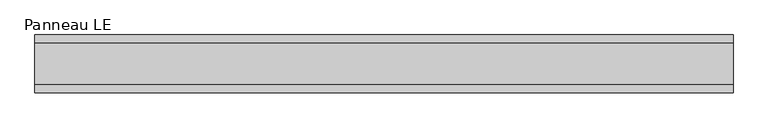
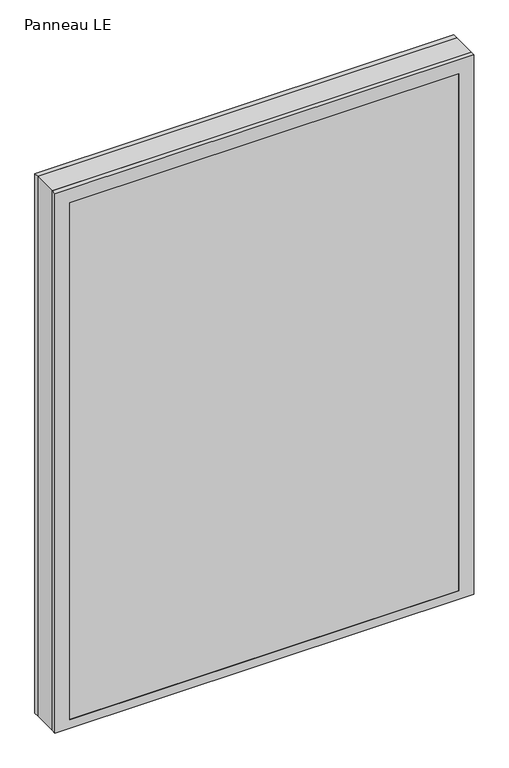
"""IFC4 building model written with IfcOpenShell, lengths in millimetres: plate geometry, Panneau LE."""

from ifc_helpers import new_model, si_unit, frame, origin, place, context, project, spatial, polyline, outline, extrude, faceted_brep, source, transform, mapped, element, save


def panneau_le_fc2eeaed(model_context):
    return source(origin(), model_context, "Body", "SolidModel", [
        faceted_brep([(-544.8749999, 33.0, 1483.5), (-544.8749999, 45.0, 1483.5), (-544.8749999, 45.0, 0.0), (-544.8749999, 33.0, 0.0), (544.8749999, 33.0, 0.0), (544.8749999, 45.0, 0.0), (544.8749999, 45.0, 1483.5), (544.8749999, 33.0, 1483.5), (-505.8749999, 45.0, 1444.5), (-505.8749999, 45.0, 23.0), (505.8749999, 45.0, 23.0), (505.8749999, 45.0, 1444.5), (505.8749999, 43.8, 1444.5), (-505.8749999, 43.8, 1444.5), (-520.8749999, 43.8, 1459.5), (-520.8749999, 43.8, 8.0), (520.8749999, 43.8, 8.0), (520.8749999, 43.8, 1459.5), (505.8749999, 43.8, 23.0), (-505.8749999, 43.8, 23.0), (520.8749999, 33.0, 1459.5), (-520.8749999, 33.0, 1459.5), (520.8749999, 33.0, 8.0), (-520.8749999, 33.0, 8.0)], [[[0, 1, 2, 3]], [[4, 5, 6, 7]], [[6, 1, 0, 7]], [[2, 1, 6, 5], [8, 9, 10, 11]], [[8, 11, 12, 13]], [[14, 15, 16, 17], [13, 12, 18, 19]], [[14, 17, 20, 21]], [[0, 3, 4, 7], [20, 22, 23, 21]], [[23, 22, 16, 15]], [[19, 18, 10, 9]], [[4, 3, 2, 5]], [[21, 23, 15, 14]], [[13, 19, 9, 8]], [[18, 12, 11, 10]], [[22, 20, 17, 16]]]),
        faceted_brep([(-544.8749999, -33.0, 0.0), (-544.8749999, -45.0, 0.0), (-544.8749999, -45.0, 1483.5), (-544.8749999, -33.0, 1483.5), (544.8749999, -45.0, 0.0), (544.8749999, -33.0, 0.0), (544.8749999, -33.0, 1483.5), (544.8749999, -45.0, 1483.5), (505.8749999, -45.0, 1444.5), (505.8749999, -45.0, 23.0), (-505.8749999, -45.0, 23.0), (-505.8749999, -45.0, 1444.5), (-520.8749999, -33.0, 1459.5), (-520.8749999, -33.0, 8.0), (520.8749999, -33.0, 8.0), (520.8749999, -33.0, 1459.5), (520.8749999, -43.8, 1459.5), (-520.8749999, -43.8, 1459.5), (520.8749999, -43.8, 8.0), (-520.8749999, -43.8, 8.0), (-505.8749999, -43.8, 1444.5), (-505.8749999, -43.8, 23.0), (505.8749999, -43.8, 23.0), (505.8749999, -43.8, 1444.5)], [[[0, 1, 2, 3]], [[4, 5, 6, 7]], [[2, 1, 4, 7], [8, 9, 10, 11]], [[6, 3, 2, 7]], [[0, 3, 6, 5], [12, 13, 14, 15]], [[12, 15, 16, 17]], [[17, 16, 18, 19], [20, 21, 22, 23]], [[8, 11, 20, 23]], [[10, 9, 22, 21]], [[19, 18, 14, 13]], [[4, 1, 0, 5]], [[11, 10, 21, 20]], [[17, 19, 13, 12]], [[18, 16, 15, 14]], [[9, 8, 23, 22]]]),
        extrude(outline(polyline([(1483.5, 544.8749999), (1483.5, -544.8749999), (0.0, -544.8749999), (0.0, 544.8749999), (1483.5, 544.8749999)]), holes=[polyline([(30.0, -504.8749999), (1437.5, -504.8749999), (1437.5, 504.8749999), (30.0, 504.8749999), (30.0, -504.8749999)])]), frame((0.0, -33.0, 0.0), z_axis=(0.0, 1.0, 0.0), x_axis=(0.0, 0.0, 1.0)), (0.0, 0.0, 1.0), 66.0),
        extrude(outline(polyline([(520.8749999, 37.8), (-520.8749999, 37.8), (-520.8749999, 43.8), (520.8749999, 43.8), (520.8749999, 37.8)])), frame((0.0, 0.0, 8.0), z_axis=(0.0, 0.0, 1.0), x_axis=(1.0, 0.0, 0.0)), (0.0, 0.0, 1.0), 1451.5),
        extrude(outline(polyline([(-520.8749999, -43.8), (-520.8749999, -37.8), (520.8749999, -37.8), (520.8749999, -43.8), (-520.8749999, -43.8)])), frame((0.0, 0.0, 8.0), z_axis=(0.0, 0.0, 1.0), x_axis=(1.0, 0.0, 0.0)), (0.0, 0.0, 1.0), 1451.5),
    ])


if __name__ == "__main__":
    model = new_model("IFC4")
    model_context = context("Model", 3, world=origin())
    ifc_project = project(units=[si_unit("LENGTHUNIT", "METRE", prefix="MILLI")], contexts=[model_context])
    site = spatial("IfcSite", under=ifc_project)
    building = spatial("IfcBuilding", under=site)
    placement = place(None, origin())
    panneau_le_shape = panneau_le_fc2eeaed(model_context)
    element("IfcPlate", 1, ObjectType="Panneau LE", at=placement, inside=building, context=model_context, shape_type="MappedRepresentation", body=[
        mapped(panneau_le_shape, transform((0.0, 0.0, 0.0), x_axis=(1.0, 0.0, 0.0), y_axis=(0.0, 1.0, 0.0), z_axis=(0.0, 0.0, 1.0))),
    ])
    save(model, "model.ifc")
